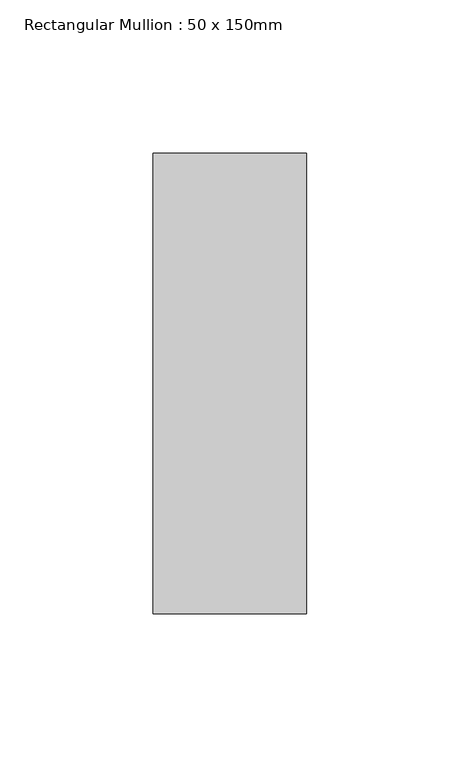
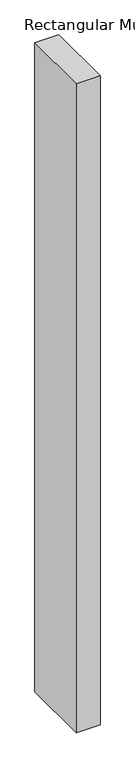
"""IFC4 building model written with IfcOpenShell, lengths in millimetres: member geometry, Rectangular Mullion : 50 x 150mm."""

from ifc_helpers import new_model, si_unit, frame, origin, place, context, project, spatial, polyline, outline, extrude, source, transform, mapped, element, save


def rectangular_mullion_50_x_150mm_bbf1a15d(model_context):
    return source(origin(), model_context, "Body", "SweptSolid", [
        extrude(outline(polyline([(25.0, 75.0), (25.0, -75.0), (-25.0, -75.0), (-25.0, 75.0), (25.0, 75.0)])), frame((0.0, 0.0, -1439.0003103), z_axis=(0.0, 0.0, 1.0), x_axis=(1.0, 0.0, 0.0)), (0.0, 0.0, 1.0), 1439.0003103),
    ])


if __name__ == "__main__":
    model = new_model("IFC4")
    model_context = context("Model", 3, world=origin())
    ifc_project = project(units=[si_unit("LENGTHUNIT", "METRE", prefix="MILLI")], contexts=[model_context])
    site = spatial("IfcSite", under=ifc_project)
    building = spatial("IfcBuilding", under=site)
    placement = place(None, origin())
    rectangular_mullion_50_x_150mm_shape = rectangular_mullion_50_x_150mm_bbf1a15d(model_context)
    element("IfcMember", 1, ObjectType="Rectangular Mullion : 50 x 150mm", at=placement, inside=building, context=model_context, shape_type="MappedRepresentation", body=[
        mapped(rectangular_mullion_50_x_150mm_shape, transform((0.0, 0.0, 0.0), x_axis=(1.0, 0.0, 0.0), y_axis=(0.0, 1.0, 0.0), z_axis=(0.0, 0.0, 1.0))),
    ])
    save(model, "model.ifc")
